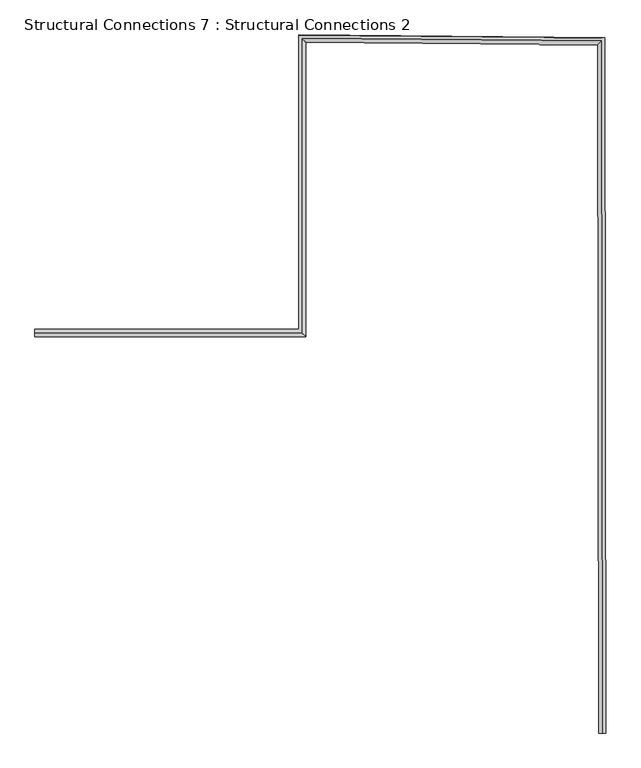
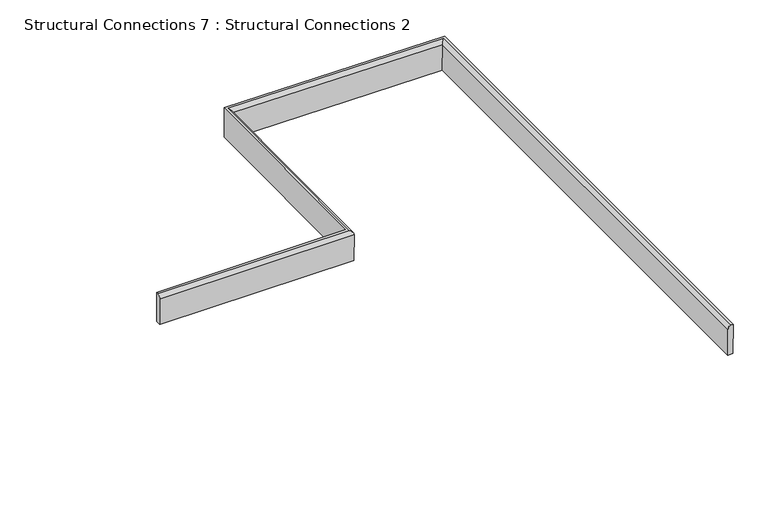
"""IFC4 building model written with IfcOpenShell, lengths in millimetres: fastener geometry, Structural Connections 7 : Structural Connections 2."""

from ifc_helpers import new_model, si_unit, frame, origin, place, context, project, spatial, circle_curve, ellipse_curve, source, transform, mapped, element, save
from ifc_brep_helpers import plane_surface, cylinder_surface, advanced_brep


def structural_connections_7_structural_connections_2_4aeabbf9(model_context):
    return source(origin(), model_context, "Body", "AdvancedBrep", [
        advanced_brep(
        [(-41921.8717567, 47997.4056518, 108384.5086361), (-41930.3226588, 47997.3919652, 108384.5090388), (-41941.6931236, 47997.4550632, 108369.3334477), (-41941.6990735, 47998.0221642, 108263.7483414), (-41921.8785617, 47998.0542642, 108263.7473969), (-43510.5988592, 49120.4630189, 108390.6301398), (-43510.6056642, 49121.1116313, 108269.8689005), (-43510.6042289, 49101.2913795, 108269.7624452), (-43510.5982791, 49100.7242785, 108375.3475516), (-43510.5982472, 49112.0122276, 108390.5847503), (-41925.0047328, 49932.1987424, 108394.9006479), (-42776.2973823, 49939.5212902, 108394.987949), (-42776.2973484, 49120.5164153, 108390.5890477), (-42767.8464349, 49112.0662385, 108390.5431853), (-42767.8464688, 49930.9974942, 108394.9416912), (-41933.4420899, 49923.8202139, 108394.856122), (-41944.7943316, 49912.6294852, 108379.6200852), (-41944.8002814, 49913.1965862, 108274.0349789), (-42756.4836488, 49920.1784275, 108274.118218), (-42756.4836149, 49101.3462171, 108269.7202441), (-42776.3041535, 49121.1650278, 108269.8278085), (-42776.3041874, 49940.1699027, 108274.2267098), (-41925.0115378, 49932.8473549, 108274.1394087), (-42756.477699, 49919.6113266, 108379.7033243), (-42756.4776651, 49100.7791162, 108375.3053504)],
        [
            (0, 1),
            (1, 2, circle_curve(frame((-41927.2642206, 47997.4728593, 108370.3701649), z_axis=(0.0016192567827494275, -0.9999842648522569, -0.005371038573950184), x_axis=(-0.9999986874151872, -0.0016195360850380968, 4.765262014654825e-05)), 14.4661101)),
            (2, 3),
            (3, 4),
            (4, 0),
            (5, 6),
            (6, 7),
            (7, 8),
            (8, 9, circle_curve(frame((-43510.5992655, 49115.1473619, 108376.4624532), z_axis=(-0.9999999957902961, -7.271731164719591e-05, 5.596070682386821e-05), x_axis=(7.241570027812342e-05, -0.9999855736766565, -0.005370958437259481)), 14.4661101)),
            (9, 5),
            (0, 10),
            (10, 11),
            (11, 12),
            (12, 5),
            (9, 13),
            (13, 14),
            (14, 15),
            (15, 1),
            (15, 16, ellipse_curve(frame((-41930.388555, 49926.9291891, 108380.7335124), z_axis=(0.7046337401768659, -0.7095607540546336, -0.0038507804119659503), x_axis=(-0.7095712008170759, -0.7046237926401997, -0.0037445715848267638)), 20.3544126, 14.4661101)),
            (16, 2),
            (16, 17),
            (17, 3),
            (17, 18),
            (18, 19),
            (19, 7),
            (6, 20),
            (20, 21),
            (21, 22),
            (22, 4),
            (22, 10),
            (14, 23, ellipse_curve(frame((-42770.9065046, 49934.1590563, 108380.8197085), z_axis=(0.7101414453563736, 0.7040490956734421, 0.003741452735119397), x_axis=(0.7040590347490657, -0.7101309905437501, -0.003853810784928816)), 20.5467297, 14.4661101)),
            (23, 16),
            (23, 18),
            (21, 11),
            (13, 24, ellipse_curve(frame((-42770.9064707, 49115.2011504, 108376.4210595), z_axis=(0.7070811621517298, 0.7071224127218042, 0.003758132069691632), x_axis=(-0.7071323970479533, 0.7070707505446212, 0.003837547326343061)), 20.4574288, 14.4661101)),
            (24, 23),
            (24, 19),
            (20, 12),
            (8, 24),
        ],
        [
            plane_surface(frame((-41929.2699904, 47998.8744145, 108108.8227991), z_axis=(0.001619256782749563, -0.999984264852257, -0.005371038573950187), x_axis=(5.63504611512364e-05, -0.0053709543621780695, 0.9999855747328883))),
            plane_surface(frame((-43510.6138598, 49114.5611365, 108114.9042987), z_axis=(-0.999999995790296, -7.271731164733296e-05, 5.5960706823867834e-05), x_axis=(5.635046117514075e-05, -0.005370954362174499, 0.9999855747328884))),
            plane_surface(frame((-41921.8717567, 47997.4056518, 108384.5086361), z_axis=(5.63504611101704e-05, -0.0053709543621758985, 0.9999855747328885), x_axis=(-0.0016192567827476264, 0.999984264852257, 0.005371038573947947))),
            cylinder_surface(frame((-41927.2642206, 47997.4728594, 108370.3701649), z_axis=(0.001619256782749428, -0.9999842648522571, -0.005371038573950185), x_axis=(-0.9999986874151872, -0.0016195360850380968, 4.765262014654825e-05)), 14.4661101),
            plane_surface(frame((-41941.6931236, 47997.4550632, 108369.3334477), z_axis=(-0.9999986874151872, -0.0016195360850386733, 4.7652620146546336e-05), x_axis=(-0.0016192567827500045, 0.999984264852257, 0.005371038573946228))),
            plane_surface(frame((-41941.6990735, 47998.0221642, 108263.7483414), z_axis=(-5.6350461110167614e-05, 0.005370954362174179, -0.9999855747328885), x_axis=(-0.0016192567827500045, 0.999984264852257, 0.005371038573946228))),
            plane_surface(frame((-41921.8785617, 47998.0542642, 108263.7473969), z_axis=(0.9999986874151872, 0.0016195360850362953, -4.76526201465591e-05), x_axis=(-0.0016192567827476264, 0.999984264852257, 0.005371038573947947))),
            cylinder_surface(frame((-41932.3592687, 49926.9461405, 108380.7337145), z_axis=(0.9999630023374759, -0.00860136269760481, -0.00010254738210221476), x_axis=(-0.008601789397959607, -0.9999485833826574, -0.005370270958716432)), 14.4661101),
            plane_surface(frame((-41944.7943316, 49912.6294852, 108379.6200852), z_axis=(-0.008601789397959246, -0.9999485833826575, -0.005370270958716431), x_axis=(-0.9999630023374759, 0.008601362697604436, 0.00010254738210461172))),
            plane_surface(frame((-41925.0115378, 49932.8473549, 108274.1394087), z_axis=(0.008601789397955802, 0.9999485833826575, 0.005370270958716431), x_axis=(-0.9999630023374759, 0.00860136269760099, 0.00010254738210493178))),
            cylinder_surface(frame((-42770.9065045, 49932.1508505, 108380.8089224), z_axis=(-4.138478074748285e-08, 0.9999855763205393, 0.0053709543730461546), x_axis=(0.999999998412312, 3.4403993977295705e-07, -5.6349426144485814e-05)), 14.4661101),
            plane_surface(frame((-42756.477699, 49919.6113266, 108379.7033243), z_axis=(0.999999998412312, 3.440399358764045e-07, -5.634942614450382e-05), x_axis=(4.138477685167782e-08, -0.9999855763205393, -0.005370954373032168))),
            plane_surface(frame((-42776.3041874, 49940.1699027, 108274.2267098), z_axis=(-0.999999998412312, -3.4403994784490967e-07, 5.634942614443954e-05), x_axis=(4.138478881902927e-08, -0.9999855763205392, -0.005370954373055707))),
            cylinder_surface(frame((-42768.9155809, 49115.2012952, 108376.4209481), z_axis=(0.9999999957902961, 7.271731164719591e-05, -5.596070682386821e-05), x_axis=(7.241570027812342e-05, -0.9999855736766565, -0.005370958437259481)), 14.4661101),
            plane_surface(frame((-42756.4776651, 49100.7791162, 108375.3053504), z_axis=(7.241570027763805e-05, -0.9999855736766565, -0.005370958437259476), x_axis=(-0.999999995790296, -7.2717311646669e-05, 5.596070681613901e-05))),
            plane_surface(frame((-42776.3041535, 49121.1650278, 108269.8278085), z_axis=(-7.24157002842414e-05, 0.9999855736766564, 0.005370958437259476), x_axis=(-0.999999995790296, -7.271731165336429e-05, 5.596070683323342e-05))),
        ],
        [
            (0, [[1, 2, 3, 4, 5]]),
            (1, [[6, 7, 8, 9, 10]]),
            (2, [[-1, 11, 12, 13, 14, -10, 15, 16, 17, 18]]),
            (3, [[-2, -18, 19, 20]]),
            (4, [[-3, -20, 21, 22]]),
            (5, [[-4, -22, 23, 24, 25, -7, 26, 27, 28, 29]]),
            (6, [[-5, -29, 30, -11]]),
            (7, [[-19, -17, 31, 32]]),
            (8, [[-21, -32, 33, -23]]),
            (9, [[-30, -28, 34, -12]]),
            (10, [[-31, -16, 35, 36]]),
            (11, [[-33, -36, 37, -24]]),
            (12, [[-34, -27, 38, -13]]),
            (13, [[-35, -15, -9, 39]]),
            (14, [[-37, -39, -8, -25]]),
            (15, [[-38, -26, -6, -14]]),
        ],
    ),
    ])


if __name__ == "__main__":
    model = new_model("IFC4")
    model_context = context("Model", 3, world=origin())
    ifc_project = project(units=[si_unit("LENGTHUNIT", "METRE", prefix="MILLI")], contexts=[model_context])
    site = spatial("IfcSite", under=ifc_project)
    building = spatial("IfcBuilding", under=site)
    placement = place(None, origin())
    structural_connections_7_structural_connections_2_shape = structural_connections_7_structural_connections_2_4aeabbf9(model_context)
    element("IfcFastener", 1, ObjectType="Structural Connections 7 : Structural Connections 2", at=placement, inside=building, context=model_context, shape_type="MappedRepresentation", body=[
        mapped(structural_connections_7_structural_connections_2_shape, transform((0.0, 0.0, 0.0), x_axis=(1.0, 0.0, 0.0), y_axis=(0.0, 1.0, 0.0), z_axis=(0.0, 0.0, 1.0))),
    ])
    save(model, "model.ifc")
